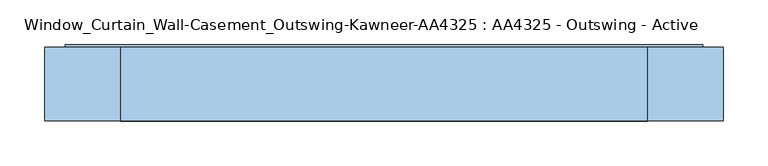
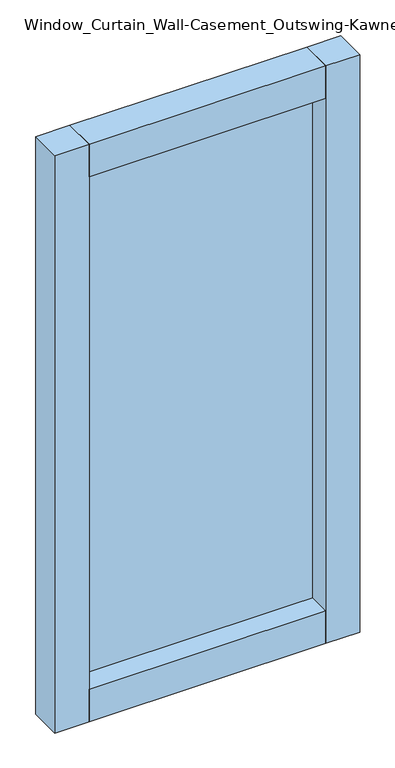
"""IFC4 building model written with IfcOpenShell, lengths in millimetres: window geometry, Window_Curtain_Wall-Casement_Outswing-Kawneer-AA4325 : AA4325 - Outswing - Active."""

from ifc_helpers import new_model, si_unit, frame, origin, origin_with_axes, place, context, project, spatial, polyline, outline, extrude, source, transform, mapped, element, save


def window_curtain_wall_casement_outswing_kawneer_aa4325_aa4325_52c1adae(model_context):
    return source(origin(), model_context, "Body", "SweptSolid", [
        extrude(outline(polyline([(25.4, -357.98125), (25.4, 357.98125), (1498.6, 357.98125), (1498.6, -357.98125), (25.4, -357.98125)]), holes=[polyline([(1439.06875, -298.45), (1439.06875, 298.45), (84.93125, 298.45), (84.93125, -298.45), (1439.06875, -298.45)])]), frame((0.0, -38.1, 0.0), z_axis=(0.0, 1.0, 0.0), x_axis=(0.0, 0.0, 1.0)), (0.0, 0.0, 1.0), 82.55),
        extrude(outline(polyline([(-298.45, 15.875), (-298.45, 41.275), (298.45, 41.275), (298.45, 15.875), (-298.45, 15.875)])), frame((0.0, 0.0, 84.93125), z_axis=(0.0, 0.0, 1.0), x_axis=(1.0, 0.0, 0.0)), (0.0, 0.0, 1.0), 1354.1375),
        extrude(outline(polyline([(295.275, 41.275), (295.275, -41.275), (-295.275, -41.275), (-295.275, 41.275), (295.275, 41.275)])), frame((0.0, 0.0, 1438.275), z_axis=(0.0, 0.0, 1.0), x_axis=(1.0, 0.0, 0.0)), (0.0, 0.0, 1.0), 85.725),
        extrude(outline(polyline([(295.275, 41.275), (295.275, -41.275), (-295.275, -41.275), (-295.275, 41.275), (295.275, 41.275)])), origin_with_axes(), (0.0, 0.0, 1.0), 85.725),
        extrude(outline(polyline([(-381.0, -41.275), (-381.0, 41.275), (-295.275, 41.275), (-295.275, -41.275), (-381.0, -41.275)])), origin_with_axes(), (0.0, 0.0, 1.0), 1524.0),
        extrude(outline(polyline([(381.0, -41.275), (295.275, -41.275), (295.275, 41.275), (381.0, 41.275), (381.0, -41.275)])), origin_with_axes(), (0.0, 0.0, 1.0), 1524.0),
    ])


if __name__ == "__main__":
    model = new_model("IFC4")
    model_context = context("Model", 3, world=origin())
    ifc_project = project(units=[si_unit("LENGTHUNIT", "METRE", prefix="MILLI")], contexts=[model_context])
    site = spatial("IfcSite", under=ifc_project)
    building = spatial("IfcBuilding", under=site)
    placement = place(None, origin())
    window_curtain_wall_casement_outswing_kawneer_aa4325_aa4325_shape = window_curtain_wall_casement_outswing_kawneer_aa4325_aa4325_52c1adae(model_context)
    element("IfcWindow", 1, ObjectType="Window_Curtain_Wall-Casement_Outswing-Kawneer-AA4325 : AA4325 - Outswing - Active", at=placement, inside=building, context=model_context, shape_type="MappedRepresentation", body=[
        mapped(window_curtain_wall_casement_outswing_kawneer_aa4325_aa4325_shape, transform((0.0, 0.0, 0.0), x_axis=(1.0, 0.0, 0.0), y_axis=(0.0, 1.0, 0.0), z_axis=(0.0, 0.0, 1.0))),
    ])
    save(model, "model.ifc")
